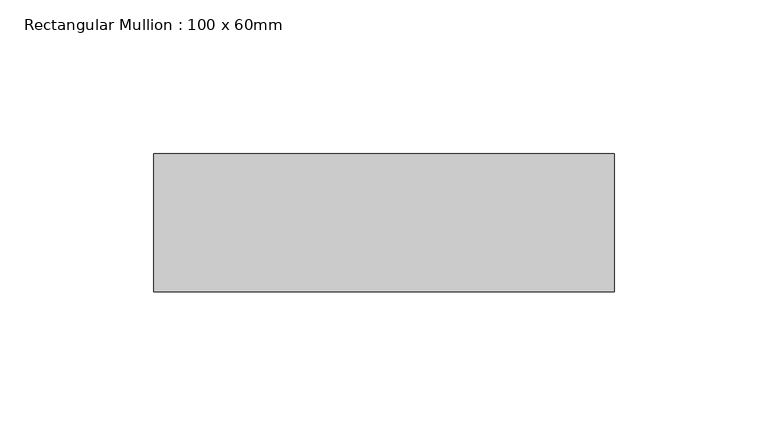
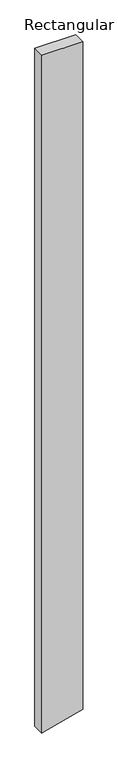
"""IFC4 building model written with IfcOpenShell, lengths in millimetres: member geometry, Rectangular Mullion : 100 x 60mm."""

from ifc_helpers import new_model, si_unit, frame, origin, place, context, project, spatial, polyline, outline, extrude, source, transform, mapped, element, save


def rectangular_mullion_100_x_60mm_5bed30a8(model_context):
    return source(origin(), model_context, "Body", "SweptSolid", [
        extrude(outline(polyline([(0.0, 75.0), (0.0, -75.0), (-2642.9740104, -75.0), (-2640.2154095, -64.7047613), (-2602.7816315, 75.0), (0.0, 75.0)])), frame((0.0, -30.0, 0.0), z_axis=(0.0, 1.0, 0.0), x_axis=(0.0, 0.0, 1.0)), (0.0, 0.0, 1.0), 45.0),
    ])


if __name__ == "__main__":
    model = new_model("IFC4")
    model_context = context("Model", 3, world=origin())
    ifc_project = project(units=[si_unit("LENGTHUNIT", "METRE", prefix="MILLI")], contexts=[model_context])
    site = spatial("IfcSite", under=ifc_project)
    building = spatial("IfcBuilding", under=site)
    placement = place(None, origin())
    rectangular_mullion_100_x_60mm_shape = rectangular_mullion_100_x_60mm_5bed30a8(model_context)
    element("IfcMember", 1, ObjectType="Rectangular Mullion : 100 x 60mm", at=placement, inside=building, context=model_context, shape_type="MappedRepresentation", body=[
        mapped(rectangular_mullion_100_x_60mm_shape, transform((0.0, 0.0, 0.0), x_axis=(1.0, 0.0, 0.0), y_axis=(0.0, 1.0, 0.0), z_axis=(0.0, 0.0, 1.0))),
    ])
    save(model, "model.ifc")
